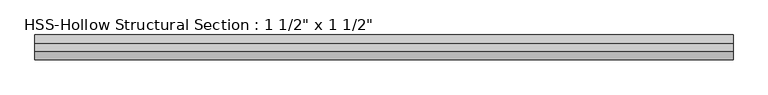
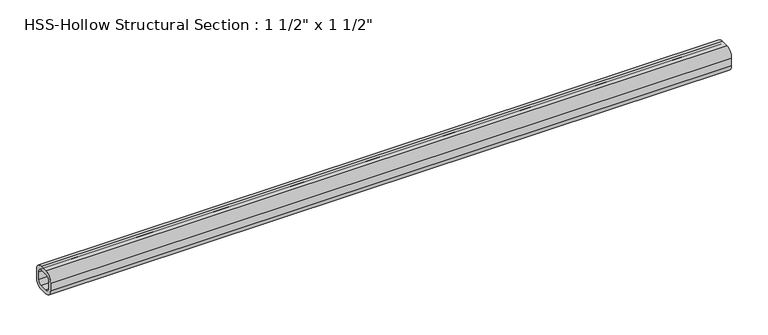
"""IFC4 building model written with IfcOpenShell, lengths in millimetres: beam geometry."""

from ifc_helpers import new_model, si_unit, point, frame, frame_2d, origin, place, context, project, spatial, polyline, circle_curve, trimmed, segment, composite_curve, outline, extrude, source, transform, mapped, element, save


def beam_949e82c1(model_context):
    return source(origin(), model_context, "Body", "SweptSolid", [
        extrude(outline(composite_curve([segment(polyline([(19.05, 6.35), (19.05, -6.35)]), True, "CONTINUOUS"), segment(trimmed(circle_curve(frame_2d((6.35, -6.35)), 12.7), [point((19.05, -6.35))], [point((6.35, -19.05))], False, "CARTESIAN"), True, "CONTINUOUS"), segment(polyline([(6.35, -19.05), (-6.35, -19.05)]), True, "CONTINUOUS"), segment(trimmed(circle_curve(frame_2d((-6.35, -6.35)), 12.7), [point((-6.35, -19.05))], [point((-19.05, -6.35))], False, "CARTESIAN"), True, "CONTINUOUS"), segment(polyline([(-19.05, -6.35), (-19.05, 6.35)]), True, "CONTINUOUS"), segment(trimmed(circle_curve(frame_2d((-6.35, 6.35)), 12.7), [point((-19.05, 6.35))], [point((-6.35, 19.05))], False, "CARTESIAN"), True, "CONTINUOUS"), segment(polyline([(-6.35, 19.05), (6.35, 19.05)]), True, "CONTINUOUS"), segment(trimmed(circle_curve(frame_2d((6.35, 6.35)), 12.7), [point((6.35, 19.05))], [point((19.05, 6.35))], False, "CARTESIAN"), True, "CONTINUOUS")], self_intersect=False), holes=[composite_curve([segment(trimmed(circle_curve(frame_2d((-6.35, 6.35)), 6.35), [point((-6.35, 12.7))], [point((-12.7, 6.35))], True, "CARTESIAN"), True, "CONTINUOUS"), segment(polyline([(-12.7, 6.35), (-12.7, -6.35)]), True, "CONTINUOUS"), segment(trimmed(circle_curve(frame_2d((-6.35, -6.35)), 6.35), [point((-12.7, -6.35))], [point((-6.35, -12.7))], True, "CARTESIAN"), True, "CONTINUOUS"), segment(polyline([(-6.35, -12.7), (6.35, -12.7)]), True, "CONTINUOUS"), segment(trimmed(circle_curve(frame_2d((6.35, -6.35)), 6.35), [point((6.35, -12.7))], [point((12.7, -6.35))], True, "CARTESIAN"), True, "CONTINUOUS"), segment(polyline([(12.7, -6.35), (12.7, 6.35)]), True, "CONTINUOUS"), segment(trimmed(circle_curve(frame_2d((6.35, 6.35)), 6.35), [point((12.7, 6.35))], [point((6.35, 12.7))], True, "CARTESIAN"), True, "CONTINUOUS"), segment(polyline([(6.35, 12.7), (-6.35, 12.7)]), True, "CONTINUOUS")], self_intersect=False)]), frame((-536.5941067, 0.0, 0.0), z_axis=(1.0, 0.0, 0.0), x_axis=(0.0, 1.0, 0.0)), (0.0, 0.0, 1.0), 1073.1882134),
    ])


if __name__ == "__main__":
    model = new_model("IFC4")
    model_context = context("Model", 3, world=origin())
    ifc_project = project(units=[si_unit("LENGTHUNIT", "METRE", prefix="MILLI")], contexts=[model_context])
    site = spatial("IfcSite", under=ifc_project)
    building = spatial("IfcBuilding", under=site)
    placement = place(None, origin())
    beam_shape = beam_949e82c1(model_context)
    element("IfcBeam", 1, ObjectType="HSS-Hollow Structural Section : 1 1/2\" x 1 1/2\"", at=placement, inside=building, context=model_context, shape_type="MappedRepresentation", body=[
        mapped(beam_shape, transform((0.0, 0.0, 0.0), x_axis=(1.0, 0.0, 0.0), y_axis=(0.0, 1.0, 0.0), z_axis=(0.0, 0.0, 1.0))),
    ])
    save(model, "model.ifc")
